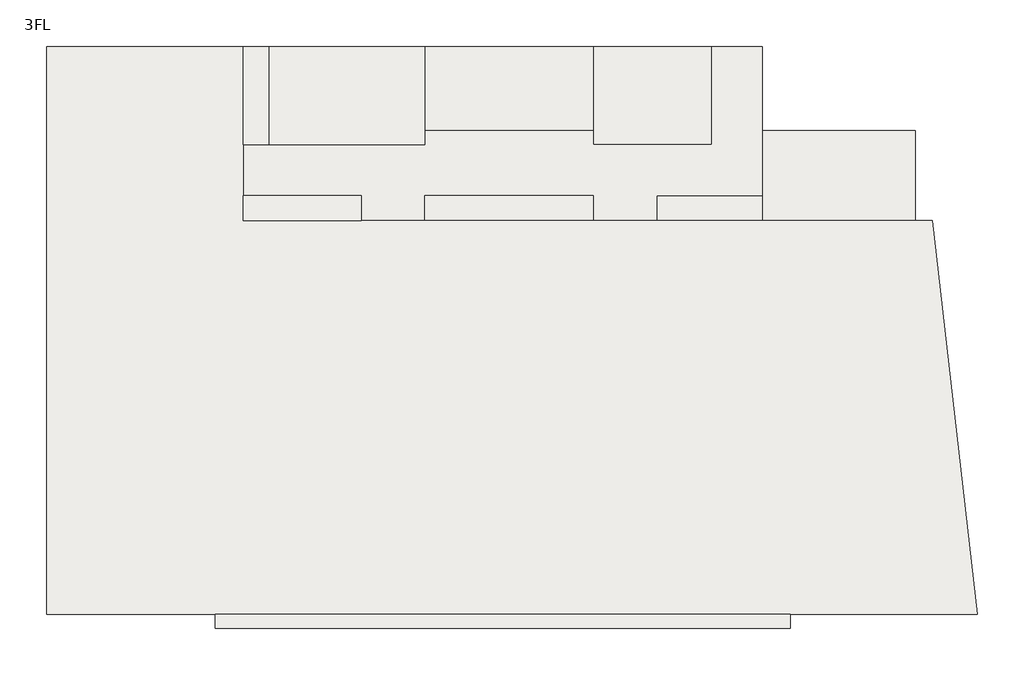
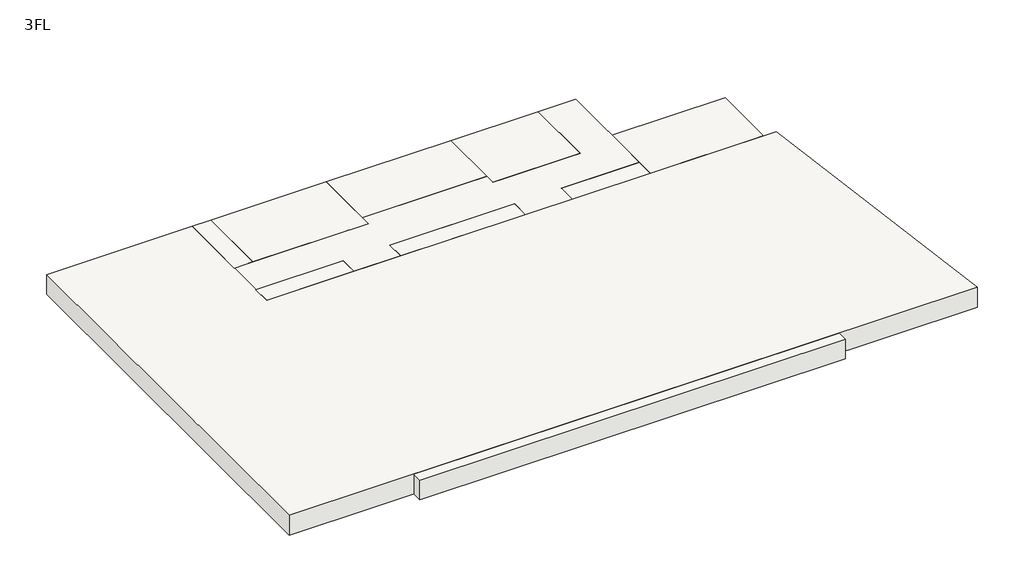
# One storey: 11 slabs.
"""IFC4 building model written with IfcOpenShell, lengths in millimetres."""

from ifc_helpers import new_model, si_unit, frame, origin, place, context, project, spatial, polyline, outline, extrude, element, save

model = new_model("IFC4")

# Units and contexts
model_context = context("Model", 3, world=origin())
ifc_project = project(units=[si_unit("LENGTHUNIT", "METRE", prefix="MILLI")], contexts=[model_context])

# Site, building, storey
site = spatial("IfcSite", under=ifc_project)
building = spatial("IfcBuilding", under=site)
storey = spatial("IfcBuildingStorey", under=building, Name="3FL", Elevation=8600.0)

# Slabs
placement = place(None, origin())
element("IfcSlab", 1, at=placement, inside=storey, context=model_context, shape_type="SweptSolid", body=[
    extrude(outline(polyline([(2054.0215975, 13649.6868987), (2054.0215975, 10449.6868987), (-3395.9784025, 10449.6868987), (-3395.9784025, 13649.6868987), (2054.0215975, 13649.6868987)])), frame((0.0, 0.0, 7600.0), z_axis=(0.0, 0.0, 1.0), x_axis=(1.0, 0.0, 0.0)), (0.0, 0.0, 1.0), 1000.0),
])
element("IfcSlab", 2, at=placement, inside=storey, context=model_context, shape_type="SweptSolid", body=[
    extrude(outline(polyline([(-3395.9784025, 11349.6868987), (-3395.9784025, 10449.6868987), (-7145.9784025, 10449.6868987), (-7145.9784025, 11349.6868987), (-3395.9784025, 11349.6868987)])), frame((0.0, 0.0, 7600.0), z_axis=(0.0, 0.0, 1.0), x_axis=(1.0, 0.0, 0.0)), (0.0, 0.0, 1.0), 1000.0),
])
element("IfcSlab", 3, at=placement, inside=storey, context=model_context, shape_type="SweptSolid", body=[
    extrude(outline(polyline([(-9395.9784025, 11349.6868987), (-9395.9784025, 10449.6868987), (-15395.9784025, 10449.6868987), (-15395.9784025, 11349.6868987), (-9395.9784025, 11349.6868987)])), frame((0.0, 0.0, 7600.0), z_axis=(0.0, 0.0, 1.0), x_axis=(1.0, 0.0, 0.0)), (0.0, 0.0, 1.0), 1000.0),
])
element("IfcSlab", 4, at=placement, inside=storey, context=model_context, shape_type="SweptSolid", body=[
    extrude(outline(polyline([(-17645.9784025, 11349.6868987), (-17645.9784025, 10449.6868987), (-21845.9784025, 10449.6868987), (-21845.9784025, 11349.6868987), (-17645.9784025, 11349.6868987)])), frame((0.0, 0.0, 7600.0), z_axis=(0.0, 0.0, 1.0), x_axis=(1.0, 0.0, 0.0)), (0.0, 0.0, 1.0), 1000.0),
])
element("IfcSlab", 5, at=placement, inside=storey, context=model_context, shape_type="SweptSolid", body=[
    extrude(outline(polyline([(-20945.9784025, 16649.6868987), (-20945.9784025, 13149.6868987), (-21845.9784025, 13149.6868987), (-21845.9784025, 16649.6868987), (-20945.9784025, 16649.6868987)])), frame((0.0, 0.0, 7600.0), z_axis=(0.0, 0.0, 1.0), x_axis=(1.0, 0.0, 0.0)), (0.0, 0.0, 1.0), 1000.0),
])
element("IfcSlab", 6, at=placement, inside=storey, context=model_context, shape_type="SweptSolid", body=[
    extrude(outline(polyline([(-9395.9784025, 16649.6868987), (-9395.9784025, 13649.6868987), (-15395.9784025, 13649.6868987), (-15395.9784025, 16649.6868987), (-9395.9784025, 16649.6868987)])), frame((0.0, 0.0, 7600.0), z_axis=(0.0, 0.0, 1.0), x_axis=(1.0, 0.0, 0.0)), (0.0, 0.0, 1.0), 1000.0),
])
element("IfcSlab", 7, at=placement, inside=storey, context=model_context, shape_type="SweptSolid", body=[
    extrude(outline(polyline([(-5195.9784025, 16649.6868987), (-5195.9784025, 13149.6868987), (-9395.9784025, 13149.6868987), (-9395.9784025, 16649.6868987), (-5195.9784025, 16649.6868987)])), frame((0.0, 0.0, 7600.0), z_axis=(0.0, 0.0, 1.0), x_axis=(1.0, 0.0, 0.0)), (0.0, 0.0, 1.0), 1000.0),
])
element("IfcSlab", 8, at=placement, inside=storey, context=model_context, shape_type="SweptSolid", body=[
    extrude(outline(polyline([(-15395.9784025, 16649.6868987), (-15395.9784025, 13149.6868987), (-20945.9784025, 13149.6868987), (-20945.9784025, 16649.6868987), (-15395.9784025, 16649.6868987)])), frame((0.0, 0.0, 7600.0), z_axis=(0.0, 0.0, 1.0), x_axis=(1.0, 0.0, 0.0)), (0.0, 0.0, 1.0), 1000.0),
])
element("IfcSlab", 9, at=placement, inside=storey, context=model_context, shape_type="SweptSolid", body=[
    extrude(outline(polyline([(-28845.9784025, -3550.3131013), (-28845.9784025, 16649.6868987), (-21845.9784025, 16649.6868987), (-21845.9784025, 10449.6868987), (2661.9595949, 10449.6868987), (4261.9595949, -3550.3131013), (-28845.9784025, -3550.3131013)])), frame((0.0, 0.0, 7600.0), z_axis=(0.0, 0.0, 1.0), x_axis=(1.0, 0.0, 0.0)), (0.0, 0.0, 1.0), 1000.0),
])
element("IfcSlab", 10, at=placement, inside=storey, context=model_context, shape_type="SweptSolid", body=[
    extrude(outline(polyline([(-15395.9784025, 13149.6868987), (-15395.9784025, 13649.6868987), (-9395.9784025, 13649.6868987), (-9395.9784025, 13149.6868987), (-5195.9784025, 13149.6868987), (-5195.9784025, 16649.6868987), (-3395.9784025, 16649.6868987), (-3395.9784025, 11349.6868987), (-7145.9784025, 11349.6868987), (-7145.9784025, 10449.6868987), (-9395.9784025, 10449.6868987), (-9395.9784025, 11349.6868987), (-15395.9784025, 11349.6868987), (-15395.9784025, 10449.6868987), (-17645.9784025, 10449.6868987), (-17645.9784025, 11349.6868987), (-21845.9784025, 11349.6868987), (-21845.9784025, 13149.6868987), (-15395.9784025, 13149.6868987)])), frame((0.0, 0.0, 7600.0), z_axis=(0.0, 0.0, 1.0), x_axis=(1.0, 0.0, 0.0)), (0.0, 0.0, 1.0), 1000.0),
])
element("IfcSlab", 11, at=placement, inside=storey, context=model_context, shape_type="SweptSolid", body=[
    extrude(outline(polyline([(-22845.9784025, -3550.3131013), (-2395.9784025, -3550.3131013), (-2395.9784025, -4050.3131013), (-22845.9784025, -4050.3131013), (-22845.9784025, -3550.3131013)])), frame((0.0, 0.0, 7600.0), z_axis=(0.0, 0.0, 1.0), x_axis=(1.0, 0.0, 0.0)), (0.0, 0.0, 1.0), 1000.0),
])

save(model, "model.ifc")
